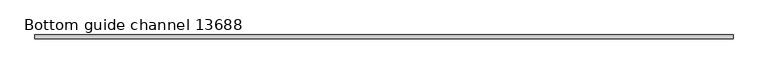
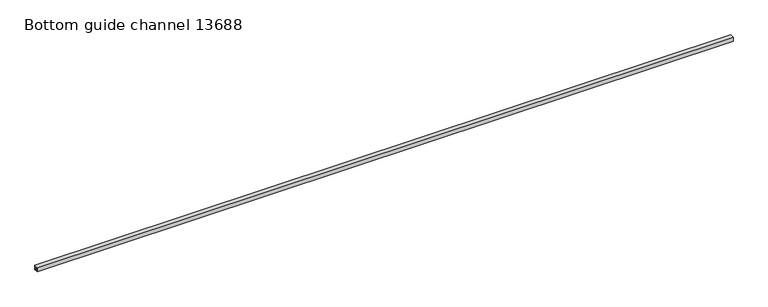
"""IFC4 building model written with IfcOpenShell, lengths in millimetres: proxy geometry, Bottom guide channel 13688."""

from ifc_helpers import new_model, si_unit, frame, origin, place, context, project, spatial, polyline, outline, extrude, source, transform, mapped, element, save


def bottom_guide_channel_13688_dce3d168(model_context):
    return source(origin(), model_context, "Body", "SweptSolid", [
        extrude(outline(polyline([(-14.0, 0.0), (-14.0, 32.0), (14.0, 32.0), (14.0, 0.0), (6.0, 0.0), (6.0, 3.0), (11.0, 3.0), (11.0, 29.0), (-10.9166556, 29.0), (-10.9166556, 3.0), (-6.0, 3.0), (-6.0, 0.0), (-14.0, 0.0)])), frame((0.0, 0.0, 0.0), z_axis=(1.0, 0.0, 0.0), x_axis=(0.0, 1.0, 0.0)), (0.0, 0.0, 1.0), 4970.0),
    ])


if __name__ == "__main__":
    model = new_model("IFC4")
    model_context = context("Model", 3, world=origin())
    ifc_project = project(units=[si_unit("LENGTHUNIT", "METRE", prefix="MILLI")], contexts=[model_context])
    site = spatial("IfcSite", under=ifc_project)
    building = spatial("IfcBuilding", under=site)
    placement = place(None, origin())
    bottom_guide_channel_13688_shape = bottom_guide_channel_13688_dce3d168(model_context)
    element("IfcBuildingElementProxy", 1, Name="Bottom guide channel 13688", ObjectType="Bottom guide channel 13688", at=placement, inside=building, context=model_context, shape_type="MappedRepresentation", body=[
        mapped(bottom_guide_channel_13688_shape, transform((0.0, 0.0, 0.0), x_axis=(1.0, 0.0, 0.0), y_axis=(0.0, 1.0, 0.0), z_axis=(0.0, 0.0, 1.0))),
    ])
    save(model, "model.ifc")
